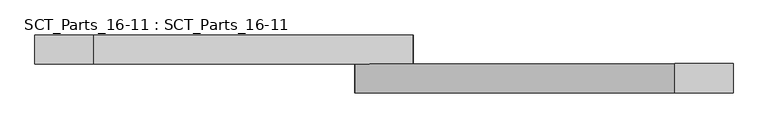
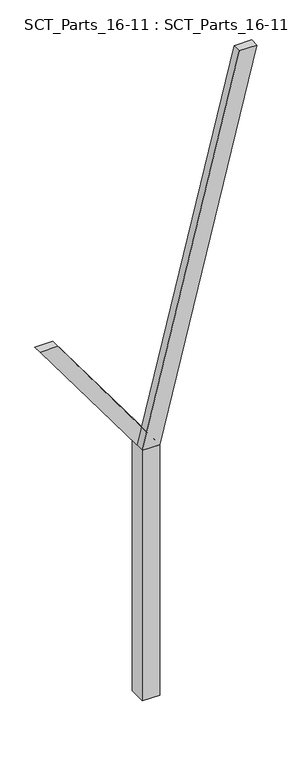
"""IFC4 building model written with IfcOpenShell, lengths in millimetres: proxy geometry, SCT_Parts_16-11 : SCT_Parts_16-11."""

from ifc_helpers import new_model, si_unit, frame, origin, origin_with_axes, place, context, project, spatial, polyline, outline, extrude, source, transform, mapped, element, save


def sct_parts_16_11_sct_parts_16_11_c05a73cf(model_context):
    return source(origin(), model_context, "Body", "SweptSolid", [
        extrude(outline(polyline([(3000.0, 200.0), (7400.0, 1300.0), (7400.0, 1100.0), (3000.0, 0.0), (3000.0, 200.0)])), frame((0.0, -200.0, 0.0), z_axis=(0.0, 1.0, 0.0), x_axis=(0.0, 0.0, 1.0)), (0.0, 0.0, 1.0), 100.0),
        extrude(outline(polyline([(3000.0, 0.0), (3000.0, 200.0), (4500.0, -900.0), (4500.0, -1100.0), (3000.0, 0.0)])), frame((0.0, -100.0, 0.0), z_axis=(0.0, 1.0, 0.0), x_axis=(0.0, 0.0, 1.0)), (0.0, 0.0, 1.0), 100.0),
        extrude(outline(polyline([(200.0, -200.0), (0.0, -200.0), (0.0, 0.0), (200.0, 0.0), (200.0, -200.0)])), origin_with_axes(), (0.0, 0.0, 1.0), 3000.0),
    ])


if __name__ == "__main__":
    model = new_model("IFC4")
    model_context = context("Model", 3, world=origin())
    ifc_project = project(units=[si_unit("LENGTHUNIT", "METRE", prefix="MILLI")], contexts=[model_context])
    site = spatial("IfcSite", under=ifc_project)
    building = spatial("IfcBuilding", under=site)
    placement = place(None, origin())
    sct_parts_16_11_sct_parts_16_11_shape = sct_parts_16_11_sct_parts_16_11_c05a73cf(model_context)
    element("IfcBuildingElementProxy", 1, Name="SCT_Parts_16-11 : SCT_Parts_16-11", ObjectType="SCT_Parts_16-11 : SCT_Parts_16-11", at=placement, inside=building, context=model_context, shape_type="MappedRepresentation", body=[
        mapped(sct_parts_16_11_sct_parts_16_11_shape, transform((0.0, 0.0, 0.0), x_axis=(1.0, 0.0, 0.0), y_axis=(0.0, 1.0, 0.0), z_axis=(0.0, 0.0, 1.0))),
    ])
    save(model, "model.ifc")
